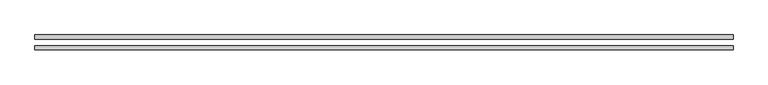
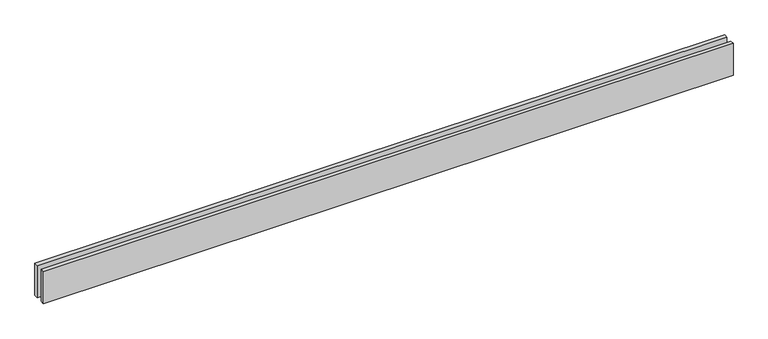
"""IFC4 building model written with IfcOpenShell, lengths in millimetres: proxy geometry."""

from ifc_helpers import new_model, si_unit, origin, origin_with_axes, place, context, project, spatial, polyline, outline, extrude, source, transform, mapped, element, save


def generic_models_e178f260(model_context):
    return source(origin(), model_context, "Body", "SweptSolid", [
        extrude(outline(polyline([(5110.0, -25.0), (5110.0, -55.0), (0.0, -55.0), (0.0, -25.0), (5110.0, -25.0)])), origin_with_axes(), (0.0, 0.0, 1.0), 250.0),
        extrude(outline(polyline([(5110.0, 55.0), (5110.0, 25.0), (0.0, 25.0), (0.0, 55.0), (5110.0, 55.0)])), origin_with_axes(), (0.0, 0.0, 1.0), 250.0),
    ])


if __name__ == "__main__":
    model = new_model("IFC4")
    model_context = context("Model", 3, world=origin())
    ifc_project = project(units=[si_unit("LENGTHUNIT", "METRE", prefix="MILLI")], contexts=[model_context])
    site = spatial("IfcSite", under=ifc_project)
    building = spatial("IfcBuilding", under=site)
    placement = place(None, origin())
    generic_models_shape = generic_models_e178f260(model_context)
    element("IfcBuildingElementProxy", 1, Name="Generic Models", at=placement, inside=building, context=model_context, shape_type="MappedRepresentation", body=[
        mapped(generic_models_shape, transform((0.0, 0.0, 0.0), x_axis=(1.0, 0.0, 0.0), y_axis=(0.0, 1.0, 0.0), z_axis=(0.0, 0.0, 1.0))),
    ])
    save(model, "model.ifc")
